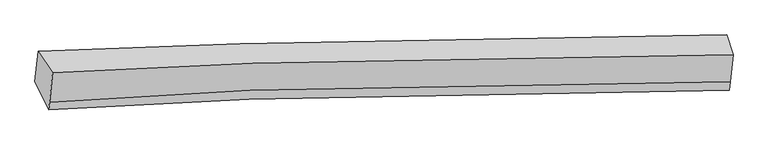
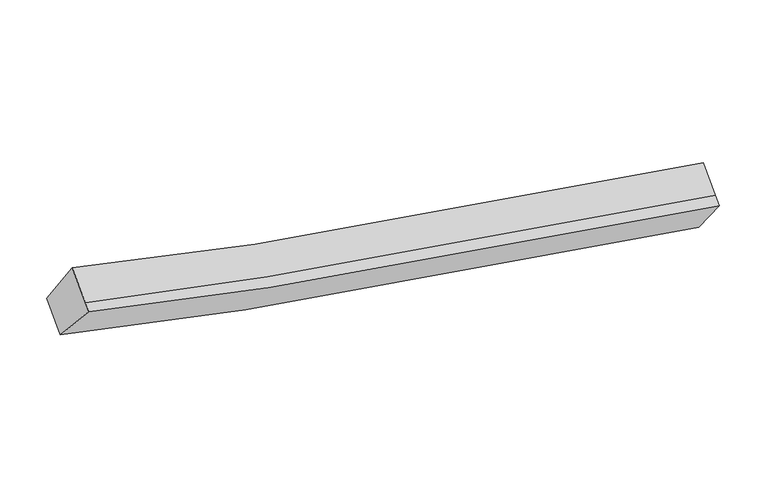
"""IFC4 building model written with IfcOpenShell, lengths in millimetres: proxy geometry."""

from ifc_helpers import new_model, si_unit, frame, origin, place, context, project, spatial, source, transform, mapped, element, save
from ifc_brep_helpers import plane_surface, spline_curve, spline_surface, advanced_brep


def generic_models_988171e2(model_context):
    return source(origin(), model_context, "Body", "AdvancedBrep", [
        advanced_brep(
        [(-3968.9440368, -1782.8130534, 3858.1051836), (-3756.1536689, -2098.2357795, 4479.9035064), (6196.5651005, -1829.9594186, 2553.4759593), (6105.9759051, -1543.3218609, 1893.138522), (-3799.7028717, -2526.7781559, 4181.2932416), (6156.0723071, -2228.4254476, 2275.8230293), (-3811.0469883, -2638.409009, 4103.5083587), (6143.1936034, -2355.15728, 2187.5157157), (-4014.3622199, -2229.7469781, 3546.6796048), (6065.0157762, -1946.3866668, 1612.2811434)],
        [
            (0, 1),
            (1, 2, spline_curve(3, [(-3756.1536689, -2098.2357795, 4479.9035064), (-2786.954365939, -2042.500274369, 4215.109427679), (-1812.764253965, -1995.430611528, 3972.292762133), (1481.891698544, -1866.213044259, 3229.233598646), (3825.274509911, -1823.857253567, 2829.907748315), (6196.5651005, -1829.9594186, 2553.4759593)], [4, 2, 4], [0.0, 9.95976260167937, 33.511673306298995])),
            (2, 3),
            (3, 0, spline_curve(3, [(6105.9759051, -1543.3218609, 1893.138522), (3706.916104468, -1556.138150467, 2166.409065221), (1335.160845575, -1599.37733149, 2571.140514618), (-2000.724190188, -1704.190027142, 3334.08086703), (-2987.275579171, -1740.781244395, 3584.338304952), (-3968.9440368, -1782.8130534, 3858.1051836)], [4, 2, 4], [0.0, 23.551910704619623, 33.511673306298995])),
            (1, 4),
            (4, 5, spline_curve(3, [(-3799.7028717, -2526.7781559, 4181.2932416), (-2829.181974689, -2458.037610329, 3925.561133789), (-1853.973059542, -2400.94249824, 3689.730246478), (1443.092063456, -2248.017691025, 2963.19039546), (3786.474873773, -2205.661899884, 2563.864545213), (6156.0723071, -2228.4254476, 2275.8230293)], [4, 2, 4], [0.0, 9.897620231647483, 33.30258249899033])),
            (5, 2),
            (4, 6),
            (6, 7, spline_curve(3, [(-3811.0469883, -2638.409009, 4103.5083587), (-2841.18964801, -2576.198141055, 3843.226342225), (-1866.492261999, -2524.136688723, 3603.887977961), (1429.363245, -2383.115006607, 2869.053974882), (3772.746055502, -2340.759215991, 2469.728124342), (6143.1936034, -2355.15728, 2187.5157157)], [4, 2, 4], [0.0, 9.897486572185125, 33.30213277419106])),
            (7, 5),
            (6, 8),
            (8, 9, spline_curve(3, [(-4014.3622199, -2229.7469781, 3546.6796048), (-3030.766095187, -2168.746121378, 3286.130444025), (-2042.728688665, -2117.531864734, 3046.06240647), (1296.670343377, -1978.139978888, 2307.216990063), (3668.425601755, -1934.900798502, 1902.485540628), (6065.0157762, -1946.3866668, 1612.2811434)], [4, 2, 4], [0.0, 9.958896303027556, 33.50875846599945])),
            (9, 7),
            (8, 0),
            (3, 9),
        ],
        [
            spline_surface(3, 3, [[(-3968.9440368, -1782.8130534, 3858.1051836), (-2987.275579024, -1740.781244372, 3584.338304803), (-2000.72419025, -1704.190027275, 3334.080867031), (1335.160845722, -1599.377331174, 2571.140514615), (3706.916104263, -1556.138150801, 2166.40906519), (6105.9759051, -1543.3218609, 1893.138522)], [(-3898.013914177, -1887.953962085, 4065.371291219), (-2920.501841378, -1841.354254403, 3794.595345732), (-1938.070878154, -1801.270222029, 3546.818165397), (1384.071130021, -1688.32256882, 2790.504875957), (3746.368906061, -1645.377851687, 2387.575292923), (6136.17230357, -1638.867713474, 2113.251001105)], [(-3827.083791523, -1993.094870815, 4272.637398781), (-2853.728103702, -1941.927264478, 4004.852386603), (-1875.417566083, -1898.350416821, 3759.555463767), (1432.981414295, -1777.267806504, 3009.869237303), (3785.821707848, -1734.617552551, 2608.74152064), (6166.36870203, -1734.413566026, 2333.363480195)], [(-3756.1536689, -2098.2357795, 4479.9035064), (-2786.954366056, -2042.500274509, 4215.109427532), (-1812.764253986, -1995.430611575, 3972.292762133), (1481.891698594, -1866.21304415, 3229.233598645), (3825.274509645, -1823.857253437, 2829.907748373), (6196.5651005, -1829.9594186, 2553.4759593)]], [4, 4], [4, 2, 4], [0.0, 2.3781674365584404], [0.0, 9.95976260167937, 33.511673306298995]),
            spline_surface(3, 3, [[(-3756.1536689, -2098.2357795, 4479.9035064), (-2786.954366056, -2042.500274509, 4215.109427532), (-1812.764253986, -1995.430611575, 3972.292762133), (1481.891698594, -1866.21304415, 3229.233598645), (3825.274509645, -1823.857253437, 2829.907748373), (6196.5651005, -1829.9594186, 2553.4759593)], [(-3770.670069837, -2241.083238311, 4380.366751466), (-2801.03023557, -2181.012719807, 4118.593329606), (-1826.500522455, -2130.601240491, 3878.105256967), (1468.958486768, -1993.481259711, 3140.552530822), (3812.341297819, -1951.125468999, 2741.22668055), (6183.067502701, -1962.781428268, 2460.924982641)], [(-3785.186470763, -2383.930697089, 4280.829996534), (-2815.106105074, -2319.525165071, 4022.077231684), (-1840.236790927, -2265.771869406, 3783.917751776), (1456.025274938, -2120.74947527, 3051.871462974), (3799.408085989, -2078.393684557, 2652.545612702), (6169.569904899, -2095.603437932, 2368.374005959)], [(-3799.7028717, -2526.7781559, 4181.2932416), (-2829.181974588, -2458.037610369, 3925.561133759), (-1853.973059396, -2400.942498322, 3689.730246609), (1443.092063111, -2248.017690831, 2963.19039515), (3786.474874163, -2205.661900118, 2563.864544878), (6156.0723071, -2228.4254476, 2275.8230293)]], [4, 4], [4, 2, 4], [0.0, 1.557728602313386], [0.0, 9.897620231647483, 33.30258249899033]),
            spline_surface(3, 3, [[(-3799.7028717, -2526.7781559, 4181.2932416), (-2829.181974588, -2458.037610369, 3925.561133759), (-1853.973059396, -2400.942498322, 3689.730246609), (1443.092063111, -2248.017690831, 2963.19039515), (3786.474874163, -2205.661900118, 2563.864544878), (6156.0723071, -2228.4254476, 2275.8230293)], [(-3803.484243881, -2563.988440266, 4155.364947273), (-2833.184532401, -2497.424453894, 3898.116203172), (-1858.146126888, -2442.00722844, 3661.116157061), (1438.51579035, -2293.050129495, 2931.811588354), (3781.898601401, -2250.694338782, 2532.485738082), (6151.779405879, -2270.669391743, 2246.387258089)], [(-3807.265616119, -2601.198724634, 4129.436653027), (-2837.187090271, -2536.811297421, 3870.671272668), (-1862.319194418, -2483.071958527, 3632.502067546), (1433.939517551, -2338.082568129, 2900.432781591), (3777.322328603, -2295.726777416, 2501.106931319), (6147.486504621, -2312.913335857, 2216.951486911)], [(-3811.0469883, -2638.409009, 4103.5083587), (-2841.189648084, -2576.198140945, 3843.226342081), (-1866.49226191, -2524.136688645, 3603.887977998), (1429.36324479, -2383.115006793, 2869.053974795), (3772.746055841, -2340.75921608, 2469.728124523), (6143.1936034, -2355.15728, 2187.5157157)]], [4, 4], [4, 2, 4], [0.0, 0.5292037430263883], [0.0, 9.897486572185125, 33.30213277419106]),
            spline_surface(3, 3, [[(-3811.0469883, -2638.409009, 4103.5083587), (-2841.189648084, -2576.198140945, 3843.226342081), (-1866.49226191, -2524.136688645, 3603.887977998), (1429.36324479, -2383.115006793, 2869.053974795), (3772.746055841, -2340.75921608, 2469.728124523), (6143.1936034, -2355.15728, 2187.5157157)], [(-3878.81873218, -2502.18833203, 3917.898774095), (-2904.381797183, -2440.380801102, 3657.527709462), (-1925.237737469, -2388.601747342, 3417.946120833), (1385.132277621, -2248.123330776, 2681.774979828), (3737.972571175, -2205.473076823, 2280.647263165), (6117.134327647, -2218.900408933, 1995.770858284)], [(-3946.59047602, -2365.96765507, 3732.289189405), (-2967.573946243, -2304.563461269, 3471.829076758), (-1983.983213056, -2253.066806081, 3232.004263695), (1340.901310426, -2113.1316548, 2494.495984888), (3703.199086566, -2070.186937568, 2091.566401754), (6091.075051953, -2082.643537867, 1804.026000816)], [(-4014.3622199, -2229.7469781, 3546.6796048), (-3030.766095343, -2168.746121426, 3286.130444138), (-2042.728688615, -2117.531864779, 3046.06240653), (1296.670343258, -1978.139978784, 2307.216989921), (3668.425601899, -1934.900798311, 1902.485540396), (6065.0157762, -1946.3866668, 1612.2811434)]], [4, 4], [4, 2, 4], [0.0, 2.318441107955917], [0.0, 9.958896303027556, 33.50875846599945]),
            spline_surface(3, 3, [[(-4014.3622199, -2229.7469781, 3546.6796048), (-3030.766095343, -2168.746121426, 3286.130444138), (-2042.728688615, -2117.531864779, 3046.06240653), (1296.670343258, -1978.139978784, 2307.216989921), (3668.425601899, -1934.900798311, 1902.485540396), (6065.0157762, -1946.3866668, 1612.2811434)], [(-3999.222825526, -2080.769003208, 3650.488131048), (-3016.269256562, -2026.091162415, 3385.533064341), (-2028.727189191, -1979.751252293, 3142.068560043), (1309.500510714, -1851.88576293, 2395.191498165), (3681.255769356, -1808.646582457, 1990.46004864), (6078.669152502, -1812.031731482, 1705.90026958)], [(-3984.083431174, -1931.791028292, 3754.296657352), (-3001.772417805, -1883.436203382, 3484.9356846), (-2014.725689674, -1841.970639761, 3238.074713517), (1322.330678265, -1725.631547028, 2483.16600637), (3694.085936807, -1682.392366655, 2078.434556945), (6092.322528798, -1677.676796218, 1799.51939582)], [(-3968.9440368, -1782.8130534, 3858.1051836), (-2987.275579024, -1740.781244372, 3584.338304803), (-2000.72419025, -1704.190027275, 3334.080867031), (1335.160845722, -1599.377331174, 2571.140514615), (3706.916104263, -1556.138150801, 2166.40906519), (6105.9759051, -1543.3218609, 1893.138522)]], [4, 4], [4, 2, 4], [0.0, 1.5572992787274254], [0.0, 10.020769603047457, 33.71694393181566]),
            plane_surface(frame((6127.6875963, -1918.7063066, 2061.6028351), z_axis=(0.9904404012855209, -0.00458520383350236, -0.13786510583603723), x_axis=(-0.11010961585594427, 0.5757332580293479, -0.8101895383766498))),
            plane_surface(frame((-3887.6267285, -2187.301205, 3997.0491634), z_axis=(-0.9556969037079766, -0.09662176895500545, 0.2780425543095736), x_axis=(-0.08308841072859993, -0.8176247253511758, -0.5697246040825427))),
        ],
        [
            (0, [[1, 2, 3, 4]]),
            (1, [[5, 6, 7, -2]]),
            (2, [[8, 9, 10, -6]]),
            (3, [[11, 12, 13, -9]]),
            (4, [[14, -4, 15, -12]]),
            (5, [[-13, -15, -3, -7, -10]]),
            (6, [[-14, -11, -8, -5, -1]]),
        ],
    ),
    ])


if __name__ == "__main__":
    model = new_model("IFC4")
    model_context = context("Model", 3, world=origin())
    ifc_project = project(units=[si_unit("LENGTHUNIT", "METRE", prefix="MILLI")], contexts=[model_context])
    site = spatial("IfcSite", under=ifc_project)
    building = spatial("IfcBuilding", under=site)
    placement = place(None, origin())
    generic_models_shape = generic_models_988171e2(model_context)
    element("IfcBuildingElementProxy", 1, Name="Generic Models", at=placement, inside=building, context=model_context, shape_type="MappedRepresentation", body=[
        mapped(generic_models_shape, transform((0.0, 0.0, 0.0), x_axis=(1.0, 0.0, 0.0), y_axis=(0.0, 1.0, 0.0), z_axis=(0.0, 0.0, 1.0))),
    ])
    save(model, "model.ifc")
